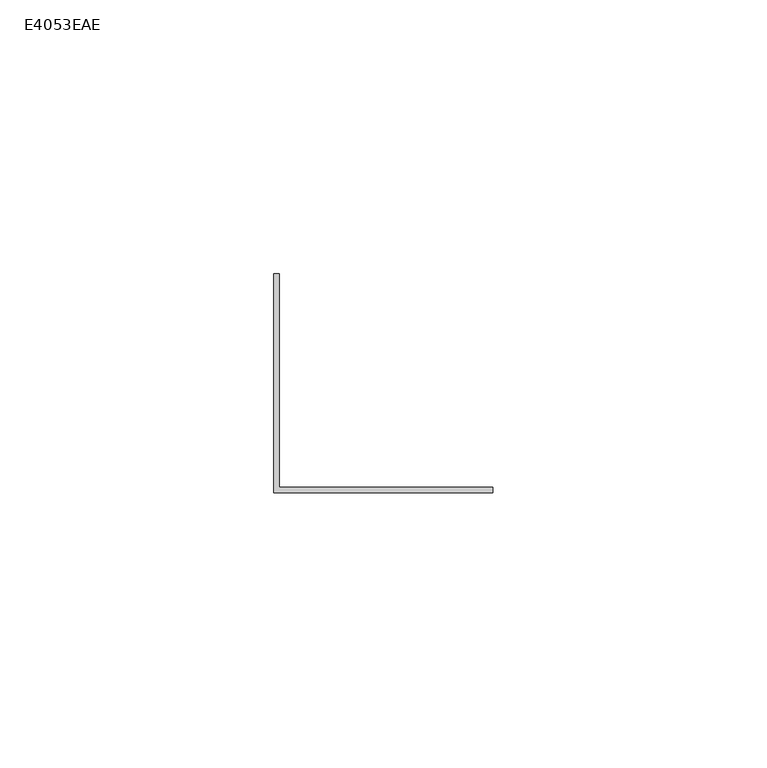
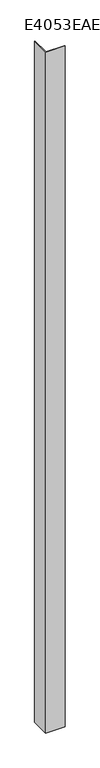
"""IFC4 building model written with IfcOpenShell, lengths in millimetres: proxy geometry, E4053EAE."""

from ifc_helpers import new_model, si_unit, origin, origin_with_axes, place, context, project, spatial, polyline, outline, extrude, source, transform, mapped, element, save


def e4053eae_14ae7757(model_context):
    return source(origin(), model_context, "Body", "SweptSolid", [
        extrude(outline(polyline([(-5.0, 35.0), (-4.0, 35.0), (-4.0, -4.0), (35.0, -4.0), (35.0, -5.0), (-5.0, -5.0), (-5.0, 35.0)])), origin_with_axes(), (0.0, 0.0, 1.0), 1500.0),
    ])


if __name__ == "__main__":
    model = new_model("IFC4")
    model_context = context("Model", 3, world=origin())
    ifc_project = project(units=[si_unit("LENGTHUNIT", "METRE", prefix="MILLI")], contexts=[model_context])
    site = spatial("IfcSite", under=ifc_project)
    building = spatial("IfcBuilding", under=site)
    placement = place(None, origin())
    e4053eae_shape = e4053eae_14ae7757(model_context)
    element("IfcBuildingElementProxy", 1, Name="E4053EAE", ObjectType="E4053EAE", at=placement, inside=building, context=model_context, shape_type="MappedRepresentation", body=[
        mapped(e4053eae_shape, transform((0.0, 0.0, 0.0), x_axis=(1.0, 0.0, 0.0), y_axis=(0.0, 1.0, 0.0), z_axis=(0.0, 0.0, 1.0))),
    ])
    save(model, "model.ifc")
